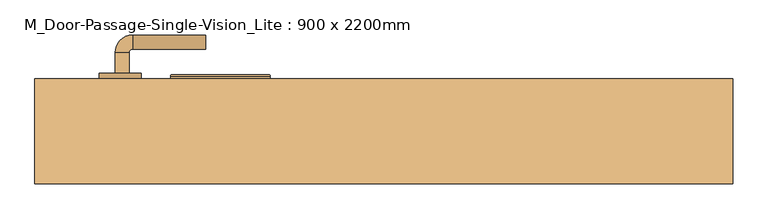
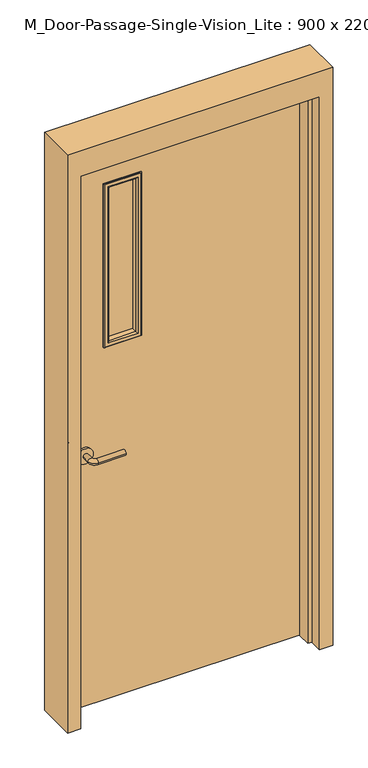
"""IFC4 building model written with IfcOpenShell, lengths in millimetres: door geometry, M_Door-Passage-Single-Vision_Lite : 900 x 2200mm."""

import ifcopenshell
import ifcopenshell.guid

model = None  # the IFC model being written
_history = None  # IfcOwnerHistory: only IFC2X3 demands one
_inside = {}  # id of a spatial element -> (the spatial element, [elements in it])
_under = {}  # id of a project, library or spatial element -> (it, [spatial elements below it])
_declared = {}  # id of a project -> (the project, [libraries it declares])
_typed = {}  # id of a type object -> (the type object, [elements of that type])
_made_of = {}  # id of a material, layer set ... -> (it, [elements and type objects made of it])


def new_model(schema):
    """Start an empty IFC model of exactly this schema.

    Asked for "IFC4X3", IfcOpenShell would pick the latest addendum, in which some entities
    have other attributes; the version numbers below select the first issue.
    IFC2X3 requires an IfcOwnerHistory on every rooted entity: one is made here for all.
    """
    global model, _history
    if schema == "IFC4X3":
        model = ifcopenshell.file(schema_version=(4, 3, 0, 0))
    else:
        model = ifcopenshell.file(schema=schema)
    _inside.clear()
    _under.clear()
    _declared.clear()
    _typed.clear()
    _made_of.clear()
    _history = None
    if model.schema == "IFC2X3":
        org = make("IfcOrganization", Name="unknown")
        user = make(
            "IfcPersonAndOrganization",
            ThePerson=make("IfcPerson", FamilyName="unknown"),
            TheOrganization=org,
        )
        app = make(
            "IfcApplication",
            ApplicationDeveloper=org,
            Version="unknown",
            ApplicationFullName="unknown",
            ApplicationIdentifier="unknown",
        )
        _history = make(
            "IfcOwnerHistory",
            OwningUser=user,
            OwningApplication=app,
            ChangeAction="ADDED",
            CreationDate=0,
        )
    return model


def make(cls, **values):
    """One entity of the class cls with the attributes given. An attribute that is None is left unset."""
    return model.create_entity(
        cls, **{name: value for name, value in values.items() if value is not None}
    )


def rooted(cls, **values):
    """An entity with a GlobalId (a new one), such as an element, a storey or a relation."""
    return make(cls, GlobalId=ifcopenshell.guid.new(), OwnerHistory=_history, **values)


def si_unit(unit_type, name, prefix=None):
    """IfcSIUnit, for example si_unit("LENGTHUNIT", "METRE", prefix="MILLI")."""
    return make("IfcSIUnit", UnitType=unit_type, Prefix=prefix, Name=name)


def assignment(units):
    """IfcUnitAssignment: the units of a project."""
    return None if units is None else make("IfcUnitAssignment", Units=units)


def point(xyz):
    """IfcCartesianPoint."""
    return None if xyz is None else make("IfcCartesianPoint", Coordinates=xyz)


def direction(xyz):
    """IfcDirection."""
    return None if xyz is None else make("IfcDirection", DirectionRatios=xyz)


def frame(location, z_axis=None, x_axis=None):
    """IfcAxis2Placement3D, a coordinate frame: its origin and axes. An axis left out is left unset."""
    return make(
        "IfcAxis2Placement3D",
        Location=point(location),
        Axis=direction(z_axis),
        RefDirection=direction(x_axis),
    )


def frame_2d(location, x_axis=None):
    """IfcAxis2Placement2D, a coordinate frame in the plane: its origin and x axis."""
    return make(
        "IfcAxis2Placement2D", Location=point(location), RefDirection=direction(x_axis)
    )


def origin():
    """The frame at (0, 0, 0) with its axes left unset."""
    return frame((0.0, 0.0, 0.0))


def place(relative_to, where):
    """IfcLocalPlacement: puts the frame where relative to a parent placement (None: the world)."""
    return make(
        "IfcLocalPlacement", PlacementRelTo=relative_to, RelativePlacement=where
    )


def context(
    kind, dimensions, precision=None, world=None, true_north=None, identifier=None
):
    """IfcGeometricRepresentationContext, for example the 3D "Model" context."""
    return make(
        "IfcGeometricRepresentationContext",
        ContextIdentifier=identifier,
        ContextType=kind,
        CoordinateSpaceDimension=dimensions,
        Precision=precision,
        WorldCoordinateSystem=world,
        TrueNorth=true_north,
    )


def project(units=None, contexts=None):
    """IfcProject with its units and contexts."""
    return rooted(
        "IfcProject",
        Name="project",
        RepresentationContexts=contexts,
        UnitsInContext=assignment(units),
    )


def spatial(cls, under=None, at=None, **own):
    """A site, building, storey or space (cls), placed at a placement, below another one or the project."""
    s = rooted(cls, ObjectPlacement=at, **own)
    if under is not None:
        _under.setdefault(under.id(), (under, []))[1].append(s)
    return s


def polyline(points):
    """IfcPolyline through the points."""
    return make("IfcPolyline", Points=[point(p) for p in points])


def circle_curve(where, radius):
    """IfcCircle in the frame where."""
    return make("IfcCircle", Position=where, Radius=radius)


def ellipse_curve(where, semi_axis1, semi_axis2):
    """IfcEllipse in the frame where."""
    return make(
        "IfcEllipse", Position=where, SemiAxis1=semi_axis1, SemiAxis2=semi_axis2
    )


def trimmed(basis, trim1, trim2, sense, master):
    """IfcTrimmedCurve: the piece of a basis curve between two trims."""
    return make(
        "IfcTrimmedCurve",
        BasisCurve=basis,
        Trim1=trim1,
        Trim2=trim2,
        SenseAgreement=sense,
        MasterRepresentation=master,
    )


def segment(curve, same_sense, transition):
    """IfcCompositeCurveSegment."""
    return make(
        "IfcCompositeCurveSegment",
        Transition=transition,
        SameSense=same_sense,
        ParentCurve=curve,
    )


def composite_curve(segments, self_intersect=None):
    """IfcCompositeCurve: segments joined end to end."""
    return make("IfcCompositeCurve", Segments=segments, SelfIntersect=self_intersect)


def outline(outer, holes=None, kind="AREA"):
    """IfcArbitraryClosedProfileDef: a profile drawn as a closed curve; with holes, ...WithVoids."""
    if holes is None:
        return make("IfcArbitraryClosedProfileDef", ProfileType=kind, OuterCurve=outer)
    return make(
        "IfcArbitraryProfileDefWithVoids",
        ProfileType=kind,
        OuterCurve=outer,
        InnerCurves=holes,
    )


def extrude(swept, where, along, depth):
    """IfcExtrudedAreaSolid: the profile swept, set in the frame where, extruded along a direction by depth."""
    return make(
        "IfcExtrudedAreaSolid",
        SweptArea=swept,
        Position=where,
        ExtrudedDirection=direction(along),
        Depth=depth,
    )


def faces_of(points, faces, orient=None, outer=None):
    """IfcFace entities. A face is a list of loops; a loop is a list of indices into points, from 0.

    orient and outer hold one flag for each loop. By default every Orientation is true, the
    first loop of a face is its IfcFaceOuterBound and the others are IfcFaceBound.
    """
    made = []
    for i, loops in enumerate(faces):
        bounds = []
        for j, loop in enumerate(loops):
            is_outer = j == 0 if outer is None else outer[i][j]
            bounds.append(
                make(
                    "IfcFaceOuterBound" if is_outer else "IfcFaceBound",
                    Bound=make("IfcPolyLoop", Polygon=[points[k] for k in loop]),
                    Orientation=True if orient is None else orient[i][j],
                )
            )
        made.append(make("IfcFace", Bounds=bounds))
    return made


def faceted_brep(points, faces, orient=None, outer=None, voids=None):
    """IfcFacetedBrep: a solid bounded by flat faces; with voids (closed shells), ...WithVoids."""
    shared = [point(p) for p in points]
    hull = make("IfcClosedShell", CfsFaces=faces_of(shared, faces, orient, outer))
    if voids is None:
        return make("IfcFacetedBrep", Outer=hull)
    return make(
        "IfcFacetedBrepWithVoids",
        Outer=hull,
        Voids=[
            make(cls, CfsFaces=faces_of(shared, fs, o, b)) for cls, fs, o, b in voids
        ],
    )


def shape(context_of_items, identifier, shape_type, items):
    """IfcShapeRepresentation: the items that make up one representation, for example the "Body"."""
    return make(
        "IfcShapeRepresentation",
        ContextOfItems=context_of_items,
        RepresentationIdentifier=identifier,
        RepresentationType=shape_type,
        Items=items,
    )


def source(mapping_origin, context_of_items, identifier, shape_type, items):
    """IfcRepresentationMap: a shape defined once, which mapped items show again and again."""
    return make(
        "IfcRepresentationMap",
        MappingOrigin=mapping_origin,
        MappedRepresentation=shape(context_of_items, identifier, shape_type, items),
    )


def transform(
    local_origin,
    x_axis=None,
    y_axis=None,
    z_axis=None,
    scale=None,
    scale2=None,
    scale3=None,
    uniform=True,
):
    """IfcCartesianTransformationOperator3D, or its non-uniform kind. x_axis, y_axis, z_axis: its Axis1, 2, 3."""
    if uniform:
        return make(
            "IfcCartesianTransformationOperator3D",
            Axis1=direction(x_axis),
            Axis2=direction(y_axis),
            LocalOrigin=point(local_origin),
            Scale=scale,
            Axis3=direction(z_axis),
        )
    return make(
        "IfcCartesianTransformationOperator3DnonUniform",
        Axis1=direction(x_axis),
        Axis2=direction(y_axis),
        LocalOrigin=point(local_origin),
        Scale=scale,
        Axis3=direction(z_axis),
        Scale2=scale2,
        Scale3=scale3,
    )


def mapped(mapping_source, mapping_target):
    """IfcMappedItem: shows the shape of a source again, moved by a transform."""
    return make(
        "IfcMappedItem", MappingSource=mapping_source, MappingTarget=mapping_target
    )


def made_of(thing, what):
    """Note that an element or type object is made of a material, layer set ...; save() writes the relation."""
    if what is not None:
        _made_of.setdefault(what.id(), (what, []))[1].append(thing)
    return thing


def element(
    cls,
    number,
    at=None,
    inside=None,
    cuts=None,
    type_object=None,
    material=None,
    context=None,
    identifier="Body",
    shape_type=None,
    held_by="IfcProductDefinitionShape",
    body=None,
    shapes=None,
    **own,
):
    """One element of the class cls, such as IfcWall. Its Tag is "e" and its number.

    at: its placement. inside: the storey or other place that contains it. cuts: it is an
    opening in that element (IfcRelVoidsElement). A single representation is given by context,
    identifier, shape_type and body (its items); several are given by shapes. held_by: the class
    of the entity that holds the representations. save() writes the other relations.
    """
    e = rooted(cls, Tag="e%d" % number, ObjectPlacement=at, **own)
    if body is not None:
        shapes = [shape(context, identifier, shape_type, body)]
    if shapes is not None:
        e.Representation = make(held_by, Representations=shapes)
    if inside is not None:
        _inside.setdefault(inside.id(), (inside, []))[1].append(e)
    if cuts is not None:
        rooted(
            "IfcRelVoidsElement", RelatingBuildingElement=cuts, RelatedOpeningElement=e
        )
    if type_object is not None:
        _typed.setdefault(type_object.id(), (type_object, []))[1].append(e)
    return made_of(e, material)


def aggregate(whole, parts):
    """IfcRelAggregates: a whole, such as a stair, and the parts it consists of."""
    return rooted("IfcRelAggregates", RelatingObject=whole, RelatedObjects=parts)


def save(model, path):
    """Write the relations noted so far, then the file.

    IfcRelAggregates (storeys below a building ...), IfcRelContainedInSpatialStructure (elements
    in a storey), IfcRelDefinesByType, IfcRelAssociatesMaterial and IfcRelDeclares: one each for
    every whole, place, type object, material and project.
    """
    for whole, parts in _under.values():
        aggregate(whole, parts)
    for where, things in _inside.values():
        rooted(
            "IfcRelContainedInSpatialStructure",
            RelatedElements=things,
            RelatingStructure=where,
        )
    for kind, things in _typed.values():
        rooted("IfcRelDefinesByType", RelatedObjects=things, RelatingType=kind)
    for what, things in _made_of.values():
        rooted("IfcRelAssociatesMaterial", RelatedObjects=things, RelatingMaterial=what)
    for by, libraries in _declared.values():
        rooted("IfcRelDeclares", RelatingContext=by, RelatedDefinitions=libraries)
    model.write(path)


def plane_surface(at):
    """IfcPlane: the flat surface through the origin of the frame at, square to its z axis."""
    return make("IfcPlane", Position=at)


def cylinder_surface(at, radius):
    """IfcCylindricalSurface: all points at the distance radius from the z axis of the frame at."""
    return make("IfcCylindricalSurface", Position=at, Radius=radius)


def revolved_surface(curve, axis_point, axis_direction):
    """IfcSurfaceOfRevolution: the curve turned about the line through axis_point along axis_direction."""
    return make(
        "IfcSurfaceOfRevolution",
        SweptCurve=make("IfcArbitraryOpenProfileDef", ProfileType="CURVE", Curve=curve),
        AxisPosition=make("IfcAxis1Placement", Location=point(axis_point), Axis=direction(axis_direction)),
    )


def advanced_brep(points, edges, surfaces, faces):
    """IfcAdvancedBrep: a solid bounded by faces that lie on surfaces and meet in shared edges.

    An edge is (start, end): straight between two places in points (the first is 0);
    or (start, end, curve); or (start, end, curve, False) where it runs against its curve.
    A face is (place in surfaces, loops), or (place, loops, False) where it looks against
    its surface's normal. A loop lists edges by number (the first is 1), with a minus sign
    where the edge is run from its end to its start. The first loop is the outer one.
    """
    corners = [point(p) for p in points]
    vertices = [make("IfcVertexPoint", VertexGeometry=c) for c in corners]
    made = []
    for start, end, *more in edges:
        made.append(
            make(
                "IfcEdgeCurve",
                EdgeStart=vertices[start],
                EdgeEnd=vertices[end],
                EdgeGeometry=more[0] if more else make("IfcPolyline", Points=[corners[start], corners[end]]),
                SameSense=more[1] if len(more) > 1 else True,
            )
        )
    hull = []
    for where, loops, *sense in faces:
        bounds = []
        for j, loop in enumerate(loops):
            ring = [make("IfcOrientedEdge", EdgeElement=made[abs(k) - 1], Orientation=k > 0) for k in loop]
            bounds.append(
                make(
                    "IfcFaceOuterBound" if j == 0 else "IfcFaceBound",
                    Bound=make("IfcEdgeLoop", EdgeList=ring),
                    Orientation=True,
                )
            )
        hull.append(make("IfcAdvancedFace", Bounds=bounds, FaceSurface=surfaces[where], SameSense=sense[0] if sense else True))
    return make("IfcAdvancedBrep", Outer=make("IfcClosedShell", CfsFaces=hull))


def m_door_passage_single_vision_lite_900_x_2200mm_8db94bc6(model_context):
    return source(origin(), model_context, "Body", "SolidModel", [
        advanced_brep(
        [(-384.990625, 104.35, 1000.0), (-364.990625, 104.35, 1000.0), (-364.990625, 74.35, 1000.0), (-384.990625, 74.35, 1000.0), (-359.990625, 69.35, 1000.0), (-359.990625, 49.35, 1000.0), (-254.990625, 49.35, 1000.0), (-254.990625, 69.35, 1000.0)],
        [
            (0, 1, circle_curve(frame((-374.990625, 104.35, 1000.0), z_axis=(0.0, 1.0, 0.0), x_axis=(1.0, 0.0, 0.0)), 10.0)),
            (1, 0, circle_curve(frame((-374.990625, 104.35, 1000.0), z_axis=(0.0, 1.0, 0.0), x_axis=(1.0, 0.0, 0.0)), 10.0)),
            (1, 2),
            (2, 3, circle_curve(frame((-374.990625, 74.35, 1000.0), z_axis=(0.0, 1.0, 0.0), x_axis=(1.0, 0.0, 0.0)), 10.0)),
            (3, 0),
            (3, 2, circle_curve(frame((-374.990625, 74.35, 1000.0), z_axis=(0.0, 1.0, 0.0), x_axis=(1.0, 0.0, 0.0)), 10.0)),
            (4, 5, circle_curve(frame((-359.990625, 59.35, 1000.0), z_axis=(-1.0, 0.0, 0.0), x_axis=(0.0, 1.0, 0.0)), 10.0)),
            (5, 3, circle_curve(frame((-359.990625, 74.35, 1000.0), z_axis=(0.0, 0.0, -1.0), x_axis=(-1.0, 0.0, 0.0)), 25.0)),
            (2, 4, circle_curve(frame((-359.990625, 74.35, 1000.0), z_axis=(0.0, 0.0, 1.0), x_axis=(-1.0, 0.0, 0.0)), 5.0)),
            (5, 4, circle_curve(frame((-359.990625, 59.35, 1000.0), z_axis=(-1.0, 0.0, 0.0), x_axis=(0.0, 1.0, 0.0)), 10.0)),
            (6, 7, circle_curve(frame((-254.990625, 59.35, 1000.0), z_axis=(1.0, 0.0, 0.0), x_axis=(0.0, 1.0, 0.0)), 10.0)),
            (7, 6, circle_curve(frame((-254.990625, 59.35, 1000.0), z_axis=(1.0, 0.0, 0.0), x_axis=(0.0, 1.0, 0.0)), 10.0)),
            (4, 7),
            (6, 5),
        ],
        [
            plane_surface(frame((-374.990625, 104.35, 1000.0), z_axis=(0.0, 1.0, 0.0), x_axis=(0.0, 0.0, 1.0))),
            cylinder_surface(frame((-374.990625, 104.35, 1000.0), z_axis=(0.0, 1.0, 0.0), x_axis=(1.0, 0.0, 0.0)), 10.0),
            revolved_surface(trimmed(ellipse_curve(frame((-374.990625, 74.35, 1000.0), z_axis=(0.0, -1.0, 0.0), x_axis=(1.0, 0.0, 0.0)), 10.0, 10.0), [point((-384.990625, 74.35, 1000.0))], [point((-364.990625, 74.35, 1000.0))], True, "CARTESIAN"), (-359.990625, 74.35, 1000.0), (0.0, 0.0, -1.0)),
            revolved_surface(trimmed(ellipse_curve(frame((-374.990625, 74.35, 1000.0), z_axis=(0.0, -1.0, 0.0), x_axis=(1.0, 0.0, 0.0)), 10.0, 10.0), [point((-364.990625, 74.35, 1000.0))], [point((-384.990625, 74.35, 1000.0))], True, "CARTESIAN"), (-359.990625, 74.35, 1000.0), (0.0, 0.0, -1.0)),
            plane_surface(frame((-254.990625, 59.35, 1000.0), z_axis=(1.0, 0.0, 0.0), x_axis=(0.0, 0.0, 1.0))),
            cylinder_surface(frame((-359.990625, 59.35, 1000.0), z_axis=(-1.0, 0.0, 0.0), x_axis=(0.0, 1.0, 0.0)), 10.0),
        ],
        [
            (0, [[1, 2]]),
            (1, [[3, 4, 5, -2]]),
            (1, [[-5, 6, -3, -1]]),
            (2, [[7, 8, -4, 9]]),
            (3, [[10, -9, -6, -8]]),
            (4, [[11, 12]]),
            (5, [[13, -11, 14, -7]]),
            (5, [[-14, -12, -13, -10]]),
        ],
    ),
        extrude(outline(composite_curve([segment(trimmed(circle_curve(frame_2d((1000.0, -377.490625)), 30.0), [point((1000.0, -407.490625))], [point((1000.0, -347.490625))], False, "CARTESIAN"), True, "CONTINUOUS"), segment(trimmed(circle_curve(frame_2d((1000.0, -377.490625)), 30.0), [point((1000.0, -347.490625))], [point((1000.0, -407.490625))], False, "CARTESIAN"), True, "CONTINUOUS")], self_intersect=False)), frame((0.0, 104.35, 0.0), z_axis=(0.0, 1.0, 0.0), x_axis=(0.0, 0.0, 1.0)), (0.0, 0.0, 1.0), 8.0),
        advanced_brep(
        [(-384.990625, 165.35, 1000.0), (-364.990625, 165.35, 1000.0), (-384.990625, 195.35, 1000.0), (-364.990625, 195.35, 1000.0), (-359.990625, 200.35, 1000.0), (-359.990625, 220.35, 1000.0), (-254.990625, 220.35, 1000.0), (-254.990625, 200.35, 1000.0)],
        [
            (0, 1, circle_curve(frame((-374.990625, 165.35, 1000.0), z_axis=(0.0, -1.0, 0.0), x_axis=(1.0, 0.0, 0.0)), 10.0)),
            (1, 0, circle_curve(frame((-374.990625, 165.35, 1000.0), z_axis=(0.0, -1.0, 0.0), x_axis=(1.0, 0.0, 0.0)), 10.0)),
            (0, 2),
            (2, 3, circle_curve(frame((-374.990625, 195.35, 1000.0), z_axis=(0.0, -1.0, 0.0), x_axis=(1.0, 0.0, 0.0)), 10.0)),
            (3, 1),
            (3, 2, circle_curve(frame((-374.990625, 195.35, 1000.0), z_axis=(0.0, -1.0, 0.0), x_axis=(1.0, 0.0, 0.0)), 10.0)),
            (4, 3, circle_curve(frame((-359.990625, 195.35, 1000.0), z_axis=(0.0, 0.0, 1.0), x_axis=(-1.0, 0.0, 0.0)), 5.0)),
            (2, 5, circle_curve(frame((-359.990625, 195.35, 1000.0), z_axis=(0.0, 0.0, -1.0), x_axis=(-1.0, 0.0, 0.0)), 25.0)),
            (5, 4, circle_curve(frame((-359.990625, 210.35, 1000.0), z_axis=(-1.0, 0.0, 0.0), x_axis=(0.0, -1.0, 0.0)), 10.0)),
            (4, 5, circle_curve(frame((-359.990625, 210.35, 1000.0), z_axis=(-1.0, 0.0, 0.0), x_axis=(0.0, -1.0, 0.0)), 10.0)),
            (6, 7, circle_curve(frame((-254.990625, 210.35, 1000.0), z_axis=(1.0, 0.0, 0.0), x_axis=(0.0, -1.0, 0.0)), 10.0)),
            (7, 6, circle_curve(frame((-254.990625, 210.35, 1000.0), z_axis=(1.0, 0.0, 0.0), x_axis=(0.0, -1.0, 0.0)), 10.0)),
            (5, 6),
            (7, 4),
        ],
        [
            plane_surface(frame((-374.990625, 165.35, 1000.0), z_axis=(0.0, -1.0, 0.0), x_axis=(0.0, 0.0, 1.0))),
            cylinder_surface(frame((-374.990625, 165.35, 1000.0), z_axis=(0.0, -1.0, 0.0), x_axis=(1.0, 0.0, 0.0)), 10.0),
            revolved_surface(trimmed(ellipse_curve(frame((-374.990625, 195.35, 1000.0), z_axis=(0.0, -1.0, 0.0), x_axis=(1.0, 0.0, 0.0)), 10.0, 10.0), [point((-384.990625, 195.35, 1000.0))], [point((-364.990625, 195.35, 1000.0))], True, "CARTESIAN"), (-359.990625, 195.35, 1000.0), (0.0, 0.0, -1.0)),
            revolved_surface(trimmed(ellipse_curve(frame((-374.990625, 195.35, 1000.0), z_axis=(0.0, -1.0, 0.0), x_axis=(1.0, 0.0, 0.0)), 10.0, 10.0), [point((-364.990625, 195.35, 1000.0))], [point((-384.990625, 195.35, 1000.0))], True, "CARTESIAN"), (-359.990625, 195.35, 1000.0), (0.0, 0.0, -1.0)),
            plane_surface(frame((-254.990625, 210.35, 1000.0), z_axis=(1.0, 0.0, 0.0), x_axis=(0.0, 0.0, 1.0))),
            cylinder_surface(frame((-359.990625, 210.35, 1000.0), z_axis=(-1.0, 0.0, 0.0), x_axis=(0.0, -1.0, 0.0)), 10.0),
        ],
        [
            (0, [[1, 2]]),
            (1, [[-1, 3, 4, 5]]),
            (1, [[-2, -5, 6, -3]]),
            (2, [[7, -4, 8, 9]]),
            (3, [[-8, -6, -7, 10]]),
            (4, [[11, 12]]),
            (5, [[-9, 13, -12, 14]]),
            (5, [[-10, -14, -11, -13]]),
        ],
    ),
        extrude(outline(composite_curve([segment(trimmed(circle_curve(frame_2d((1000.0, -377.490625)), 30.0), [point((1000.0, -407.490625))], [point((1000.0, -347.490625))], False, "CARTESIAN"), True, "CONTINUOUS"), segment(trimmed(circle_curve(frame_2d((1000.0, -377.490625)), 30.0), [point((1000.0, -347.490625))], [point((1000.0, -407.490625))], False, "CARTESIAN"), True, "CONTINUOUS")], self_intersect=False)), frame((0.0, 157.35, 0.0), z_axis=(0.0, 1.0, 0.0), x_axis=(0.0, 0.0, 1.0)), (0.0, 0.0, 1.0), 8.0),
        faceted_brep([(450.0, 107.5875, 0.0), (450.0, 157.35, 0.0), (500.0, 157.35, 0.0), (500.0, 7.35, 0.0), (450.0, 7.35, 0.0), (450.0, 56.5625, 0.0), (434.125, 56.5625, 0.0), (434.125, 107.5875, 0.0), (450.0, 107.5875, 2200.0), (450.0, 157.35, 2200.0), (-450.0, 157.35, 2200.0), (-450.0, 157.35, 0.0), (-500.0, 157.35, 0.0), (-500.0, 157.35, 2300.0), (500.0, 157.35, 2300.0), (500.0, 7.35, 2300.0), (-500.0, 7.35, 2300.0), (-500.0, 7.35, 0.0), (-450.0, 7.35, 0.0), (-450.0, 7.35, 2200.0), (450.0, 7.35, 2200.0), (450.0, 56.5625, 2200.0), (-450.0, 56.5625, 2200.0), (-450.0, 56.5625, 0.0), (-434.125, 56.5625, 0.0), (-434.125, 56.5625, 2184.125), (434.125, 56.5625, 2184.125), (434.125, 107.5875, 2184.125), (-434.125, 107.5875, 2184.125), (-434.125, 107.5875, 0.0), (-450.0, 107.5875, 0.0), (-450.0, 107.5875, 2200.0)], [[[0, 1, 2, 3, 4, 5, 6, 7]], [[1, 0, 8, 9]], [[2, 1, 9, 10, 11, 12, 13, 14]], [[3, 2, 14, 15]], [[4, 3, 15, 16, 17, 18, 19, 20]], [[5, 4, 20, 21]], [[6, 5, 21, 22, 23, 24, 25, 26]], [[7, 6, 26, 27]], [[0, 7, 27, 28, 29, 30, 31, 8]], [[9, 8, 31, 10]], [[20, 19, 22, 21]], [[26, 25, 28, 27]], [[12, 11, 30, 29, 24, 23, 18, 17]], [[11, 10, 31, 30]], [[13, 12, 17, 16]], [[19, 18, 23, 22]], [[25, 24, 29, 28]], [[15, 14, 13, 16]]]),
        extrude(outline(polyline([(2200.0, -450.0), (0.0, -450.0), (0.0, 450.0), (2200.0, 450.0), (2200.0, -450.0)]), holes=[polyline([(2047.6, -297.6), (2047.6, -170.6), (1412.6, -170.6), (1412.6, -297.6), (2047.6, -297.6)])]), frame((0.0, 112.35, 0.0), z_axis=(0.0, 1.0, 0.0), x_axis=(0.0, 0.0, 1.0)), (0.0, 0.0, 1.0), 45.0),
        extrude(outline(polyline([(-170.6, 132.35), (-297.6, 132.35), (-297.6, 137.35), (-170.6, 137.35), (-170.6, 132.35)])), frame((0.0, 0.0, 1412.6), z_axis=(0.0, 0.0, 1.0), x_axis=(1.0, 0.0, 0.0)), (0.0, 0.0, 1.0), 635.0),
        advanced_brep(
        [(-297.6, 132.35, 1412.6), (-297.6, 112.35, 1412.6), (-297.6, 112.35, 2047.6), (-297.6, 132.35, 2047.6), (-285.6, 111.35, 1424.6), (-285.6, 132.35, 1424.6), (-285.6, 132.35, 2035.6), (-285.6, 111.35, 2035.6), (-290.6, 106.35, 1419.6), (-290.6, 106.35, 2040.6), (-305.6, 108.35, 1404.6), (-303.6, 106.35, 1406.6), (-303.6, 106.35, 2053.6), (-305.6, 108.35, 2055.6), (-305.6, 112.35, 1404.6), (-305.6, 112.35, 2055.6), (-170.6, 112.35, 2047.6), (-170.6, 132.35, 2047.6), (-182.6, 132.35, 2035.6), (-182.6, 111.35, 2035.6), (-177.6, 106.35, 2040.6), (-164.6, 106.35, 2053.6), (-162.6, 108.35, 2055.6), (-162.6, 112.35, 2055.6), (-170.6, 112.35, 1412.6), (-170.6, 132.35, 1412.6), (-182.6, 132.35, 1424.6), (-182.6, 111.35, 1424.6), (-177.6, 106.35, 1419.6), (-164.6, 106.35, 1406.6), (-162.6, 108.35, 1404.6), (-162.6, 112.35, 1404.6)],
        [
            (0, 1),
            (1, 2),
            (2, 3),
            (3, 0),
            (4, 5),
            (5, 6),
            (6, 7),
            (7, 4),
            (8, 4, ellipse_curve(frame((-290.6, 111.35, 1419.6), z_axis=(-0.7071067811865475, 0.0, 0.7071067811865475), x_axis=(-0.7071067811865474, 0.0, -0.7071067811865476)), 7.0710678, 5.0)),
            (7, 9, ellipse_curve(frame((-290.6, 111.35, 2040.6), z_axis=(-0.7071067811865475, 0.0, -0.7071067811865475), x_axis=(0.7071067811865474, 0.0, -0.7071067811865476)), 7.0710678, 5.0)),
            (9, 8),
            (10, 11, ellipse_curve(frame((-303.6, 108.35, 1406.6), z_axis=(-0.7071067811865475, 0.0, 0.7071067811865475), x_axis=(-0.7071067811865474, 0.0, -0.7071067811865476)), 2.8284271, 2.0)),
            (11, 12),
            (12, 13, ellipse_curve(frame((-303.6, 108.35, 2053.6), z_axis=(-0.7071067811865475, 0.0, -0.7071067811865475), x_axis=(0.7071067811865474, 0.0, -0.7071067811865476)), 2.8284271, 2.0)),
            (13, 10),
            (14, 10),
            (13, 15),
            (15, 14),
            (2, 16),
            (16, 17),
            (17, 3),
            (6, 18),
            (18, 19),
            (19, 7),
            (19, 20, ellipse_curve(frame((-177.6, 111.35, 2040.6), z_axis=(-0.7071067811865475, 0.0, 0.7071067811865475), x_axis=(-0.7071067811865476, 0.0, -0.7071067811865474)), 7.0710678, 5.0)),
            (20, 9),
            (12, 21),
            (21, 22, ellipse_curve(frame((-164.6, 108.35, 2053.6), z_axis=(-0.7071067811865475, 0.0, 0.7071067811865475), x_axis=(-0.7071067811865476, 0.0, -0.7071067811865474)), 2.8284271, 2.0)),
            (22, 13),
            (22, 23),
            (23, 15),
            (16, 24),
            (24, 25),
            (25, 17),
            (18, 26),
            (26, 27),
            (27, 19),
            (27, 28, ellipse_curve(frame((-177.6, 111.35, 1419.6), z_axis=(0.7071067811865475, 0.0, 0.7071067811865475), x_axis=(-0.7071067811865474, 0.0, 0.7071067811865476)), 7.0710678, 5.0)),
            (28, 20),
            (21, 29),
            (29, 30, ellipse_curve(frame((-164.6, 108.35, 1406.6), z_axis=(0.7071067811865475, 0.0, 0.7071067811865475), x_axis=(-0.7071067811865474, 0.0, 0.7071067811865476)), 2.8284271, 2.0)),
            (30, 22),
            (30, 31),
            (31, 23),
            (31, 14),
            (1, 24),
            (0, 25),
            (5, 26),
            (4, 27),
            (8, 28),
            (11, 29),
            (10, 30),
        ],
        [
            plane_surface(frame((-297.6, 112.35, 1412.6), z_axis=(-1.0, 0.0, 0.0), x_axis=(0.0, 0.0, 1.0))),
            plane_surface(frame((-285.6, 132.35, 1424.6), z_axis=(1.0, 0.0, 0.0), x_axis=(0.0, 0.0, 1.0))),
            cylinder_surface(frame((-290.6, 111.35, 1412.6), z_axis=(0.0, 0.0, -1.0), x_axis=(-1.0, 0.0, 0.0)), 5.0),
            cylinder_surface(frame((-303.6, 108.35, 1412.6), z_axis=(0.0, 0.0, -1.0), x_axis=(-1.0, 0.0, 0.0)), 2.0),
            plane_surface(frame((-305.6, 108.35, 1404.6), z_axis=(-1.0, 0.0, 0.0), x_axis=(0.0, 0.0, 1.0))),
            plane_surface(frame((-297.6, 112.35, 2047.6), z_axis=(0.0, 0.0, 1.0), x_axis=(1.0, 0.0, 0.0))),
            plane_surface(frame((-285.6, 132.35, 2035.6), z_axis=(0.0, 0.0, -1.0), x_axis=(1.0, 0.0, 0.0))),
            cylinder_surface(frame((-297.6, 111.35, 2040.6), z_axis=(-1.0, 0.0, 0.0), x_axis=(0.0, 0.0, 1.0)), 5.0),
            cylinder_surface(frame((-297.6, 108.35, 2053.6), z_axis=(-1.0, 0.0, 0.0), x_axis=(0.0, 0.0, 1.0)), 2.0),
            plane_surface(frame((-305.6, 108.35, 2055.6), z_axis=(0.0, 0.0, 1.0), x_axis=(1.0, 0.0, 0.0))),
            plane_surface(frame((-170.6, 112.35, 2047.6), z_axis=(1.0, 0.0, 0.0), x_axis=(0.0, 0.0, -1.0))),
            plane_surface(frame((-182.6, 132.35, 2035.6), z_axis=(-1.0, 0.0, 0.0), x_axis=(0.0, 0.0, -1.0))),
            cylinder_surface(frame((-177.6, 111.35, 2047.6), z_axis=(0.0, 0.0, 1.0), x_axis=(1.0, 0.0, 0.0)), 5.0),
            cylinder_surface(frame((-164.6, 108.35, 2047.6), z_axis=(0.0, 0.0, 1.0), x_axis=(1.0, 0.0, 0.0)), 2.0),
            plane_surface(frame((-162.6, 108.35, 2055.6), z_axis=(1.0, 0.0, 0.0), x_axis=(0.0, 0.0, -1.0))),
            plane_surface(frame((-162.6, 112.35, 1404.6), z_axis=(0.0, 1.0, 0.0), x_axis=(-1.0, 0.0, 0.0))),
            plane_surface(frame((-170.6, 112.35, 1412.6), z_axis=(0.0, 0.0, -1.0), x_axis=(-1.0, 0.0, 0.0))),
            plane_surface(frame((-170.6, 132.35, 1412.6), z_axis=(0.0, 1.0, 0.0), x_axis=(-1.0, 0.0, 0.0))),
            plane_surface(frame((-182.6, 132.35, 1424.6), z_axis=(0.0, 0.0, 1.0), x_axis=(-1.0, 0.0, 0.0))),
            cylinder_surface(frame((-170.6, 111.35, 1419.6), z_axis=(1.0, 0.0, 0.0), x_axis=(0.0, 0.0, -1.0)), 5.0),
            plane_surface(frame((-177.6, 106.35, 1419.6), z_axis=(0.0, -1.0, 0.0), x_axis=(-1.0, 0.0, 0.0))),
            cylinder_surface(frame((-170.6, 108.35, 1406.6), z_axis=(1.0, 0.0, 0.0), x_axis=(0.0, 0.0, -1.0)), 2.0),
            plane_surface(frame((-162.6, 108.35, 1404.6), z_axis=(0.0, 0.0, -1.0), x_axis=(-1.0, 0.0, 0.0))),
        ],
        [
            (0, [[1, 2, 3, 4]]),
            (1, [[5, 6, 7, 8]]),
            (2, [[9, -8, 10, 11]]),
            (3, [[12, 13, 14, 15]]),
            (4, [[16, -15, 17, 18]]),
            (5, [[-3, 19, 20, 21]]),
            (6, [[-7, 22, 23, 24]]),
            (7, [[-10, -24, 25, 26]]),
            (8, [[-14, 27, 28, 29]]),
            (9, [[-17, -29, 30, 31]]),
            (10, [[-20, 32, 33, 34]]),
            (11, [[-23, 35, 36, 37]]),
            (12, [[-25, -37, 38, 39]]),
            (13, [[-28, 40, 41, 42]]),
            (14, [[-30, -42, 43, 44]]),
            (15, [[-31, -44, 45, -18], [46, -32, -19, -2]]),
            (16, [[-33, -46, -1, 47]]),
            (17, [[-21, -34, -47, -4], [48, -35, -22, -6]]),
            (18, [[-36, -48, -5, 49]]),
            (19, [[-38, -49, -9, 50]]),
            (20, [[51, -40, -27, -13], [-26, -39, -50, -11]]),
            (21, [[-41, -51, -12, 52]]),
            (22, [[-43, -52, -16, -45]]),
        ],
    ),
        advanced_brep(
        [(-297.6, 137.35, 2047.6), (-297.6, 157.35, 2047.6), (-297.6, 157.35, 1412.6), (-297.6, 137.35, 1412.6), (-285.6, 158.35, 2035.6), (-285.6, 137.35, 2035.6), (-285.6, 137.35, 1424.6), (-285.6, 158.35, 1424.6), (-290.6, 163.35, 2040.6), (-290.6, 163.35, 1419.6), (-305.6, 161.35, 2055.6), (-303.6, 163.35, 2053.6), (-303.6, 163.35, 1406.6), (-305.6, 161.35, 1404.6), (-305.6, 157.35, 2055.6), (-305.6, 157.35, 1404.6), (-170.6, 157.35, 1412.6), (-170.6, 137.35, 1412.6), (-182.6, 137.35, 1424.6), (-182.6, 158.35, 1424.6), (-177.6, 163.35, 1419.6), (-164.6, 163.35, 1406.6), (-162.6, 161.35, 1404.6), (-162.6, 157.35, 1404.6), (-170.6, 157.35, 2047.6), (-170.6, 137.35, 2047.6), (-182.6, 137.35, 2035.6), (-182.6, 158.35, 2035.6), (-177.6, 163.35, 2040.6), (-164.6, 163.35, 2053.6), (-162.6, 161.35, 2055.6), (-162.6, 157.35, 2055.6)],
        [
            (0, 1),
            (1, 2),
            (2, 3),
            (3, 0),
            (4, 5),
            (5, 6),
            (6, 7),
            (7, 4),
            (8, 4, ellipse_curve(frame((-290.6, 158.35, 2040.6), z_axis=(-0.7071067811865475, 0.0, -0.7071067811865475), x_axis=(-0.7071067811865474, 0.0, 0.7071067811865476)), 7.0710678, 5.0)),
            (7, 9, ellipse_curve(frame((-290.6, 158.35, 1419.6), z_axis=(-0.7071067811865475, 0.0, 0.7071067811865475), x_axis=(0.7071067811865474, 0.0, 0.7071067811865476)), 7.0710678, 5.0)),
            (9, 8),
            (10, 11, ellipse_curve(frame((-303.6, 161.35, 2053.6), z_axis=(-0.7071067811865475, 0.0, -0.7071067811865475), x_axis=(-0.7071067811865474, 0.0, 0.7071067811865476)), 2.8284271, 2.0)),
            (11, 12),
            (12, 13, ellipse_curve(frame((-303.6, 161.35, 1406.6), z_axis=(-0.7071067811865475, 0.0, 0.7071067811865475), x_axis=(0.7071067811865474, 0.0, 0.7071067811865476)), 2.8284271, 2.0)),
            (13, 10),
            (14, 10),
            (13, 15),
            (15, 14),
            (2, 16),
            (16, 17),
            (17, 3),
            (6, 18),
            (18, 19),
            (19, 7),
            (19, 20, ellipse_curve(frame((-177.6, 158.35, 1419.6), z_axis=(-0.7071067811865475, 0.0, -0.7071067811865475), x_axis=(-0.7071067811865476, 0.0, 0.7071067811865474)), 7.0710678, 5.0)),
            (20, 9),
            (12, 21),
            (21, 22, ellipse_curve(frame((-164.6, 161.35, 1406.6), z_axis=(-0.7071067811865475, 0.0, -0.7071067811865475), x_axis=(-0.7071067811865476, 0.0, 0.7071067811865474)), 2.8284271, 2.0)),
            (22, 13),
            (22, 23),
            (23, 15),
            (16, 24),
            (24, 25),
            (25, 17),
            (18, 26),
            (26, 27),
            (27, 19),
            (27, 28, ellipse_curve(frame((-177.6, 158.35, 2040.6), z_axis=(0.7071067811865475, 0.0, -0.7071067811865475), x_axis=(-0.7071067811865474, 0.0, -0.7071067811865476)), 7.0710678, 5.0)),
            (28, 20),
            (21, 29),
            (29, 30, ellipse_curve(frame((-164.6, 161.35, 2053.6), z_axis=(0.7071067811865475, 0.0, -0.7071067811865475), x_axis=(-0.7071067811865474, 0.0, -0.7071067811865476)), 2.8284271, 2.0)),
            (30, 22),
            (30, 31),
            (31, 23),
            (31, 14),
            (1, 24),
            (0, 25),
            (5, 26),
            (4, 27),
            (8, 28),
            (11, 29),
            (10, 30),
        ],
        [
            plane_surface(frame((-297.6, 157.35, 2047.6), z_axis=(-1.0, 0.0, 0.0), x_axis=(0.0, 0.0, -1.0))),
            plane_surface(frame((-285.6, 137.35, 2035.6), z_axis=(1.0, 0.0, 0.0), x_axis=(0.0, 0.0, -1.0))),
            cylinder_surface(frame((-290.6, 158.35, 2047.6), z_axis=(0.0, 0.0, 1.0), x_axis=(-1.0, 0.0, 0.0)), 5.0),
            cylinder_surface(frame((-303.6, 161.35, 2047.6), z_axis=(0.0, 0.0, 1.0), x_axis=(-1.0, 0.0, 0.0)), 2.0),
            plane_surface(frame((-305.6, 161.35, 2055.6), z_axis=(-1.0, 0.0, 0.0), x_axis=(0.0, 0.0, -1.0))),
            plane_surface(frame((-297.6, 157.35, 1412.6), z_axis=(0.0, 0.0, -1.0), x_axis=(1.0, 0.0, 0.0))),
            plane_surface(frame((-285.6, 137.35, 1424.6), z_axis=(0.0, 0.0, 1.0), x_axis=(1.0, 0.0, 0.0))),
            cylinder_surface(frame((-297.6, 158.35, 1419.6), z_axis=(-1.0, 0.0, 0.0), x_axis=(0.0, 0.0, -1.0)), 5.0),
            cylinder_surface(frame((-297.6, 161.35, 1406.6), z_axis=(-1.0, 0.0, 0.0), x_axis=(0.0, 0.0, -1.0)), 2.0),
            plane_surface(frame((-305.6, 161.35, 1404.6), z_axis=(0.0, 0.0, -1.0), x_axis=(1.0, 0.0, 0.0))),
            plane_surface(frame((-170.6, 157.35, 1412.6), z_axis=(1.0, 0.0, 0.0), x_axis=(0.0, 0.0, 1.0))),
            plane_surface(frame((-182.6, 137.35, 1424.6), z_axis=(-1.0, 0.0, 0.0), x_axis=(0.0, 0.0, 1.0))),
            cylinder_surface(frame((-177.6, 158.35, 1412.6), z_axis=(0.0, 0.0, -1.0), x_axis=(1.0, 0.0, 0.0)), 5.0),
            cylinder_surface(frame((-164.6, 161.35, 1412.6), z_axis=(0.0, 0.0, -1.0), x_axis=(1.0, 0.0, 0.0)), 2.0),
            plane_surface(frame((-162.6, 161.35, 1404.6), z_axis=(1.0, 0.0, 0.0), x_axis=(0.0, 0.0, 1.0))),
            plane_surface(frame((-162.6, 157.35, 2055.6), z_axis=(0.0, -1.0, 0.0), x_axis=(-1.0, 0.0, 0.0))),
            plane_surface(frame((-170.6, 157.35, 2047.6), z_axis=(0.0, 0.0, 1.0), x_axis=(-1.0, 0.0, 0.0))),
            plane_surface(frame((-170.6, 137.35, 2047.6), z_axis=(0.0, -1.0, 0.0), x_axis=(-1.0, 0.0, 0.0))),
            plane_surface(frame((-182.6, 137.35, 2035.6), z_axis=(0.0, 0.0, -1.0), x_axis=(-1.0, 0.0, 0.0))),
            cylinder_surface(frame((-170.6, 158.35, 2040.6), z_axis=(1.0, 0.0, 0.0), x_axis=(0.0, 0.0, 1.0)), 5.0),
            plane_surface(frame((-177.6, 163.35, 2040.6), z_axis=(0.0, 1.0, 0.0), x_axis=(-1.0, 0.0, 0.0))),
            cylinder_surface(frame((-170.6, 161.35, 2053.6), z_axis=(1.0, 0.0, 0.0), x_axis=(0.0, 0.0, 1.0)), 2.0),
            plane_surface(frame((-162.6, 161.35, 2055.6), z_axis=(0.0, 0.0, 1.0), x_axis=(-1.0, 0.0, 0.0))),
        ],
        [
            (0, [[1, 2, 3, 4]]),
            (1, [[5, 6, 7, 8]]),
            (2, [[9, -8, 10, 11]]),
            (3, [[12, 13, 14, 15]]),
            (4, [[16, -15, 17, 18]]),
            (5, [[-3, 19, 20, 21]]),
            (6, [[-7, 22, 23, 24]]),
            (7, [[-10, -24, 25, 26]]),
            (8, [[-14, 27, 28, 29]]),
            (9, [[-17, -29, 30, 31]]),
            (10, [[-20, 32, 33, 34]]),
            (11, [[-23, 35, 36, 37]]),
            (12, [[-25, -37, 38, 39]]),
            (13, [[-28, 40, 41, 42]]),
            (14, [[-30, -42, 43, 44]]),
            (15, [[-31, -44, 45, -18], [46, -32, -19, -2]]),
            (16, [[-33, -46, -1, 47]]),
            (17, [[-21, -34, -47, -4], [48, -35, -22, -6]]),
            (18, [[-36, -48, -5, 49]]),
            (19, [[-38, -49, -9, 50]]),
            (20, [[51, -40, -27, -13], [-26, -39, -50, -11]]),
            (21, [[-41, -51, -12, 52]]),
            (22, [[-43, -52, -16, -45]]),
        ],
    ),
    ])


if __name__ == "__main__":
    model = new_model("IFC4")
    model_context = context("Model", 3, world=origin())
    ifc_project = project(units=[si_unit("LENGTHUNIT", "METRE", prefix="MILLI")], contexts=[model_context])
    site = spatial("IfcSite", under=ifc_project)
    building = spatial("IfcBuilding", under=site)
    placement = place(None, origin())
    m_door_passage_single_vision_lite_900_x_2200mm_shape = m_door_passage_single_vision_lite_900_x_2200mm_8db94bc6(model_context)
    element("IfcDoor", 1, ObjectType="M_Door-Passage-Single-Vision_Lite : 900 x 2200mm", at=placement, inside=building, context=model_context, shape_type="MappedRepresentation", body=[
        mapped(m_door_passage_single_vision_lite_900_x_2200mm_shape, transform((0.0, 0.0, 0.0), x_axis=(1.0, 0.0, 0.0), y_axis=(0.0, 1.0, 0.0), z_axis=(0.0, 0.0, 1.0))),
    ])
    save(model, "model.ifc")
